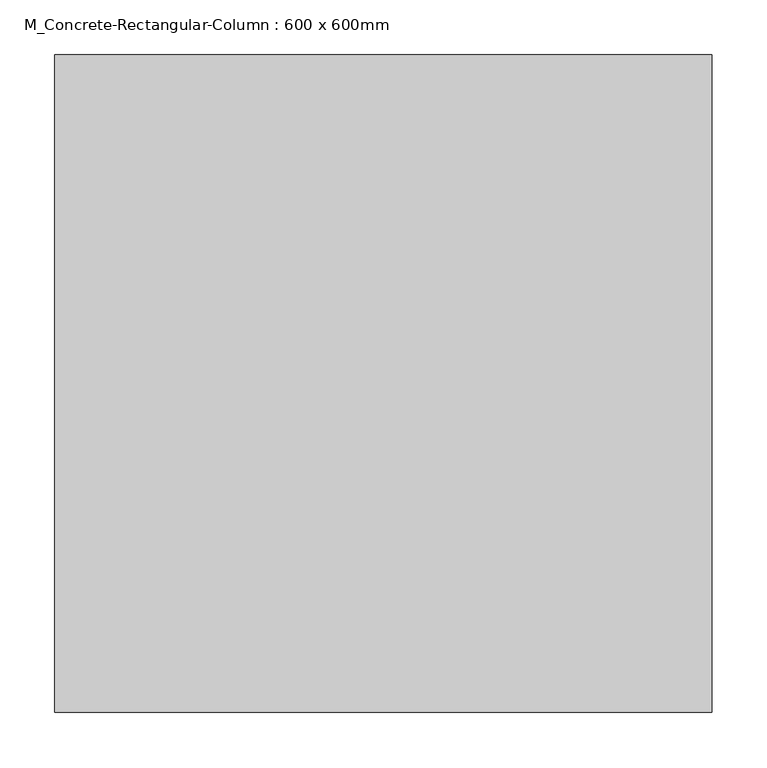
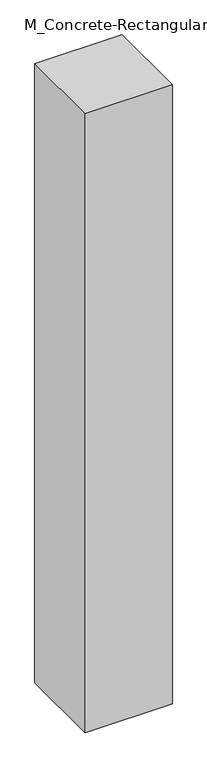
"""IFC4 building model written with IfcOpenShell, lengths in millimetres: column geometry, M_Concrete-Rectangular-Column : 600 x 600mm."""

from ifc_helpers import new_model, si_unit, frame, origin, place, context, project, spatial, polyline, outline, extrude, source, transform, mapped, element, save


def m_concrete_rectangular_column_600_x_600mm_6940e510(model_context):
    return source(origin(), model_context, "Body", "SweptSolid", [
        extrude(outline(polyline([(300.0, 300.0), (300.0, -300.0), (-300.0, -300.0), (-300.0, 300.0), (300.0, 300.0)])), frame((0.0, 0.0, -4500.0), z_axis=(0.0, 0.0, 1.0), x_axis=(1.0, 0.0, 0.0)), (0.0, 0.0, 1.0), 4500.0),
    ])


if __name__ == "__main__":
    model = new_model("IFC4")
    model_context = context("Model", 3, world=origin())
    ifc_project = project(units=[si_unit("LENGTHUNIT", "METRE", prefix="MILLI")], contexts=[model_context])
    site = spatial("IfcSite", under=ifc_project)
    building = spatial("IfcBuilding", under=site)
    placement = place(None, origin())
    m_concrete_rectangular_column_600_x_600mm_shape = m_concrete_rectangular_column_600_x_600mm_6940e510(model_context)
    element("IfcColumn", 1, ObjectType="M_Concrete-Rectangular-Column : 600 x 600mm", at=placement, inside=building, context=model_context, shape_type="MappedRepresentation", body=[
        mapped(m_concrete_rectangular_column_600_x_600mm_shape, transform((0.0, 0.0, 0.0), x_axis=(1.0, 0.0, 0.0), y_axis=(0.0, 1.0, 0.0), z_axis=(0.0, 0.0, 1.0))),
    ])
    save(model, "model.ifc")
